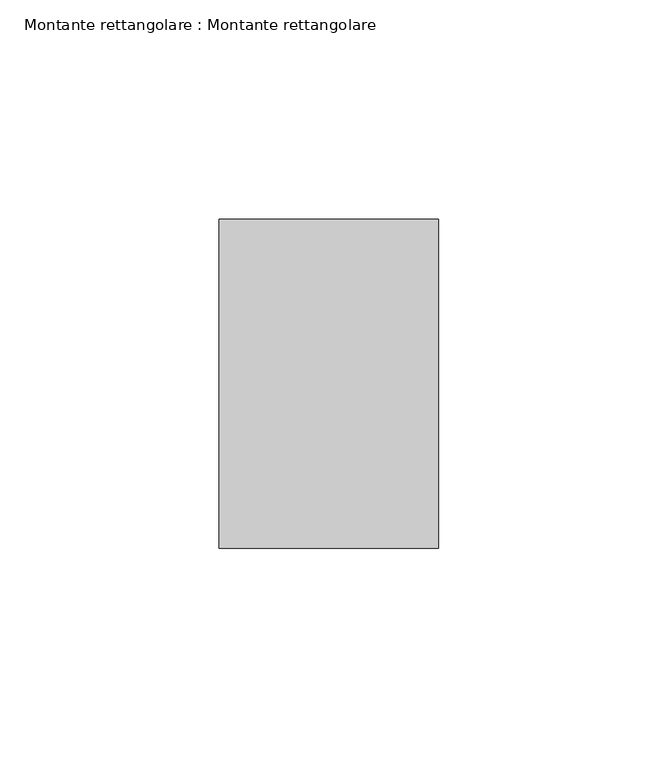
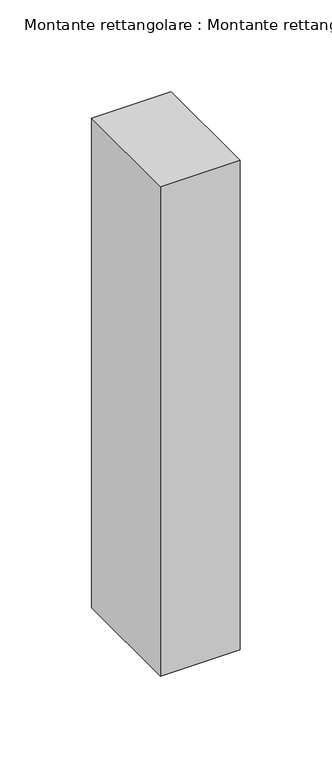
"""IFC4 building model written with IfcOpenShell, lengths in millimetres: member geometry, Montante rettangolare : Montante rettangolare."""

from ifc_helpers import new_model, si_unit, frame, origin, place, context, project, spatial, polyline, outline, extrude, source, transform, mapped, element, save


def montante_rettangolare_montante_rettangolare_0781f242(model_context):
    return source(origin(), model_context, "Body", "SweptSolid", [
        extrude(outline(polyline([(25.0, 37.5), (25.0, -37.5), (-25.0, -37.5), (-25.0, 37.5), (25.0, 37.5)])), frame((0.0, 0.0, -325.1002661), z_axis=(0.0, 0.0, 1.0), x_axis=(1.0, 0.0, 0.0)), (0.0, 0.0, 1.0), 325.1002661),
    ])


if __name__ == "__main__":
    model = new_model("IFC4")
    model_context = context("Model", 3, world=origin())
    ifc_project = project(units=[si_unit("LENGTHUNIT", "METRE", prefix="MILLI")], contexts=[model_context])
    site = spatial("IfcSite", under=ifc_project)
    building = spatial("IfcBuilding", under=site)
    placement = place(None, origin())
    montante_rettangolare_montante_rettangolare_shape = montante_rettangolare_montante_rettangolare_0781f242(model_context)
    element("IfcMember", 1, ObjectType="Montante rettangolare : Montante rettangolare", at=placement, inside=building, context=model_context, shape_type="MappedRepresentation", body=[
        mapped(montante_rettangolare_montante_rettangolare_shape, transform((0.0, 0.0, 0.0), x_axis=(1.0, 0.0, 0.0), y_axis=(0.0, 1.0, 0.0), z_axis=(0.0, 0.0, 1.0))),
    ])
    save(model, "model.ifc")
